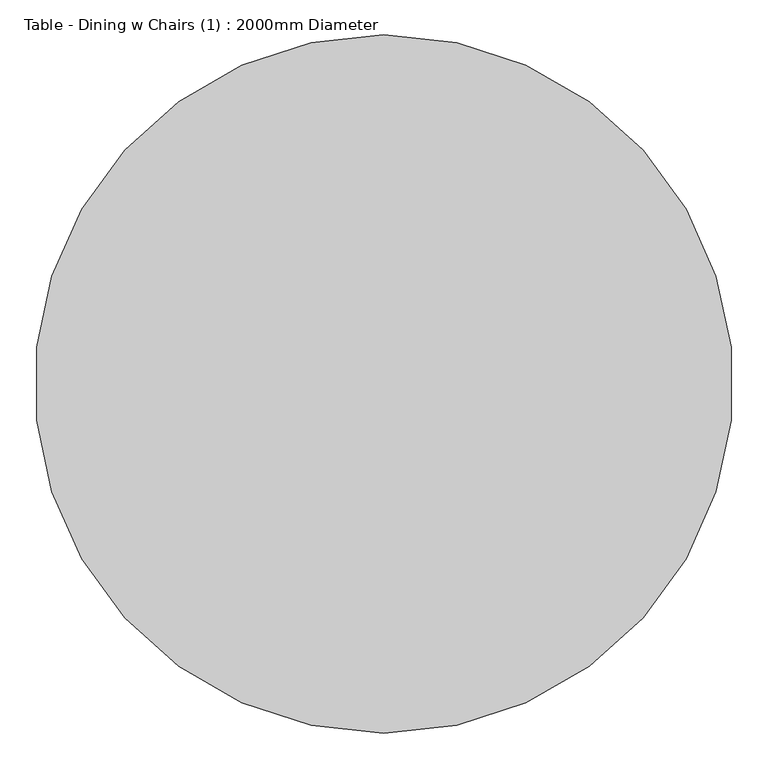
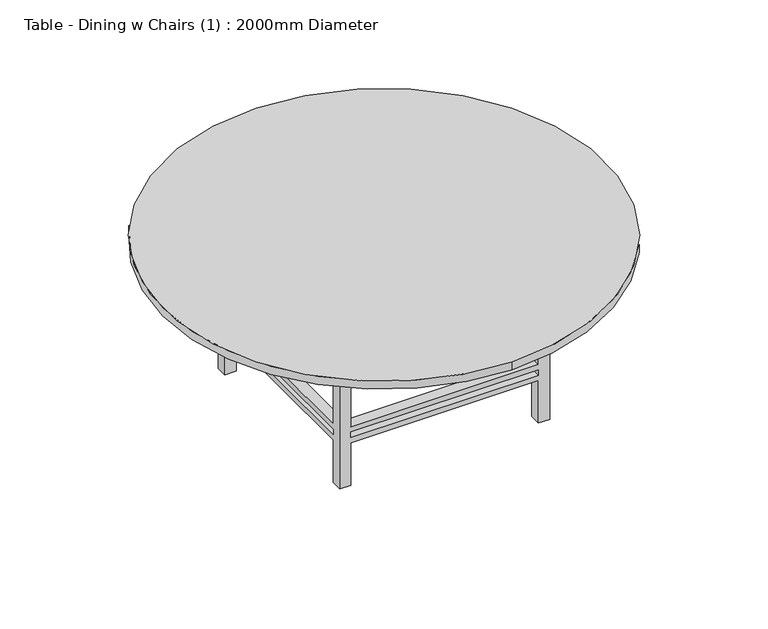
"""IFC4 building model written with IfcOpenShell, lengths in millimetres: furniture geometry, Table - Dining w Chairs (1) : 2000mm Diameter."""

import ifcopenshell
import ifcopenshell.guid

model = None  # the IFC model being written
_history = None  # IfcOwnerHistory: only IFC2X3 demands one
_inside = {}  # id of a spatial element -> (the spatial element, [elements in it])
_under = {}  # id of a project, library or spatial element -> (it, [spatial elements below it])
_declared = {}  # id of a project -> (the project, [libraries it declares])
_typed = {}  # id of a type object -> (the type object, [elements of that type])
_made_of = {}  # id of a material, layer set ... -> (it, [elements and type objects made of it])


def new_model(schema):
    """Start an empty IFC model of exactly this schema.

    Asked for "IFC4X3", IfcOpenShell would pick the latest addendum, in which some entities
    have other attributes; the version numbers below select the first issue.
    IFC2X3 requires an IfcOwnerHistory on every rooted entity: one is made here for all.
    """
    global model, _history
    if schema == "IFC4X3":
        model = ifcopenshell.file(schema_version=(4, 3, 0, 0))
    else:
        model = ifcopenshell.file(schema=schema)
    _inside.clear()
    _under.clear()
    _declared.clear()
    _typed.clear()
    _made_of.clear()
    _history = None
    if model.schema == "IFC2X3":
        org = make("IfcOrganization", Name="unknown")
        user = make(
            "IfcPersonAndOrganization",
            ThePerson=make("IfcPerson", FamilyName="unknown"),
            TheOrganization=org,
        )
        app = make(
            "IfcApplication",
            ApplicationDeveloper=org,
            Version="unknown",
            ApplicationFullName="unknown",
            ApplicationIdentifier="unknown",
        )
        _history = make(
            "IfcOwnerHistory",
            OwningUser=user,
            OwningApplication=app,
            ChangeAction="ADDED",
            CreationDate=0,
        )
    return model


def make(cls, **values):
    """One entity of the class cls with the attributes given. An attribute that is None is left unset."""
    return model.create_entity(
        cls, **{name: value for name, value in values.items() if value is not None}
    )


def rooted(cls, **values):
    """An entity with a GlobalId (a new one), such as an element, a storey or a relation."""
    return make(cls, GlobalId=ifcopenshell.guid.new(), OwnerHistory=_history, **values)


def si_unit(unit_type, name, prefix=None):
    """IfcSIUnit, for example si_unit("LENGTHUNIT", "METRE", prefix="MILLI")."""
    return make("IfcSIUnit", UnitType=unit_type, Prefix=prefix, Name=name)


def assignment(units):
    """IfcUnitAssignment: the units of a project."""
    return None if units is None else make("IfcUnitAssignment", Units=units)


def point(xyz):
    """IfcCartesianPoint."""
    return None if xyz is None else make("IfcCartesianPoint", Coordinates=xyz)


def direction(xyz):
    """IfcDirection."""
    return None if xyz is None else make("IfcDirection", DirectionRatios=xyz)


def frame(location, z_axis=None, x_axis=None):
    """IfcAxis2Placement3D, a coordinate frame: its origin and axes. An axis left out is left unset."""
    return make(
        "IfcAxis2Placement3D",
        Location=point(location),
        Axis=direction(z_axis),
        RefDirection=direction(x_axis),
    )


def frame_2d(location, x_axis=None):
    """IfcAxis2Placement2D, a coordinate frame in the plane: its origin and x axis."""
    return make(
        "IfcAxis2Placement2D", Location=point(location), RefDirection=direction(x_axis)
    )


def origin():
    """The frame at (0, 0, 0) with its axes left unset."""
    return frame((0.0, 0.0, 0.0))


def place(relative_to, where):
    """IfcLocalPlacement: puts the frame where relative to a parent placement (None: the world)."""
    return make(
        "IfcLocalPlacement", PlacementRelTo=relative_to, RelativePlacement=where
    )


def context(
    kind, dimensions, precision=None, world=None, true_north=None, identifier=None
):
    """IfcGeometricRepresentationContext, for example the 3D "Model" context."""
    return make(
        "IfcGeometricRepresentationContext",
        ContextIdentifier=identifier,
        ContextType=kind,
        CoordinateSpaceDimension=dimensions,
        Precision=precision,
        WorldCoordinateSystem=world,
        TrueNorth=true_north,
    )


def project(units=None, contexts=None):
    """IfcProject with its units and contexts."""
    return rooted(
        "IfcProject",
        Name="project",
        RepresentationContexts=contexts,
        UnitsInContext=assignment(units),
    )


def spatial(cls, under=None, at=None, **own):
    """A site, building, storey or space (cls), placed at a placement, below another one or the project."""
    s = rooted(cls, ObjectPlacement=at, **own)
    if under is not None:
        _under.setdefault(under.id(), (under, []))[1].append(s)
    return s


def polyline(points):
    """IfcPolyline through the points."""
    return make("IfcPolyline", Points=[point(p) for p in points])


def circle_curve(where, radius):
    """IfcCircle in the frame where."""
    return make("IfcCircle", Position=where, Radius=radius)


def trimmed(basis, trim1, trim2, sense, master):
    """IfcTrimmedCurve: the piece of a basis curve between two trims."""
    return make(
        "IfcTrimmedCurve",
        BasisCurve=basis,
        Trim1=trim1,
        Trim2=trim2,
        SenseAgreement=sense,
        MasterRepresentation=master,
    )


def segment(curve, same_sense, transition):
    """IfcCompositeCurveSegment."""
    return make(
        "IfcCompositeCurveSegment",
        Transition=transition,
        SameSense=same_sense,
        ParentCurve=curve,
    )


def composite_curve(segments, self_intersect=None):
    """IfcCompositeCurve: segments joined end to end."""
    return make("IfcCompositeCurve", Segments=segments, SelfIntersect=self_intersect)


def outline(outer, holes=None, kind="AREA"):
    """IfcArbitraryClosedProfileDef: a profile drawn as a closed curve; with holes, ...WithVoids."""
    if holes is None:
        return make("IfcArbitraryClosedProfileDef", ProfileType=kind, OuterCurve=outer)
    return make(
        "IfcArbitraryProfileDefWithVoids",
        ProfileType=kind,
        OuterCurve=outer,
        InnerCurves=holes,
    )


def extrude(swept, where, along, depth):
    """IfcExtrudedAreaSolid: the profile swept, set in the frame where, extruded along a direction by depth."""
    return make(
        "IfcExtrudedAreaSolid",
        SweptArea=swept,
        Position=where,
        ExtrudedDirection=direction(along),
        Depth=depth,
    )


def faces_of(points, faces, orient=None, outer=None):
    """IfcFace entities. A face is a list of loops; a loop is a list of indices into points, from 0.

    orient and outer hold one flag for each loop. By default every Orientation is true, the
    first loop of a face is its IfcFaceOuterBound and the others are IfcFaceBound.
    """
    made = []
    for i, loops in enumerate(faces):
        bounds = []
        for j, loop in enumerate(loops):
            is_outer = j == 0 if outer is None else outer[i][j]
            bounds.append(
                make(
                    "IfcFaceOuterBound" if is_outer else "IfcFaceBound",
                    Bound=make("IfcPolyLoop", Polygon=[points[k] for k in loop]),
                    Orientation=True if orient is None else orient[i][j],
                )
            )
        made.append(make("IfcFace", Bounds=bounds))
    return made


def faceted_brep(points, faces, orient=None, outer=None, voids=None):
    """IfcFacetedBrep: a solid bounded by flat faces; with voids (closed shells), ...WithVoids."""
    shared = [point(p) for p in points]
    hull = make("IfcClosedShell", CfsFaces=faces_of(shared, faces, orient, outer))
    if voids is None:
        return make("IfcFacetedBrep", Outer=hull)
    return make(
        "IfcFacetedBrepWithVoids",
        Outer=hull,
        Voids=[
            make(cls, CfsFaces=faces_of(shared, fs, o, b)) for cls, fs, o, b in voids
        ],
    )


def shape(context_of_items, identifier, shape_type, items):
    """IfcShapeRepresentation: the items that make up one representation, for example the "Body"."""
    return make(
        "IfcShapeRepresentation",
        ContextOfItems=context_of_items,
        RepresentationIdentifier=identifier,
        RepresentationType=shape_type,
        Items=items,
    )


def source(mapping_origin, context_of_items, identifier, shape_type, items):
    """IfcRepresentationMap: a shape defined once, which mapped items show again and again."""
    return make(
        "IfcRepresentationMap",
        MappingOrigin=mapping_origin,
        MappedRepresentation=shape(context_of_items, identifier, shape_type, items),
    )


def transform(
    local_origin,
    x_axis=None,
    y_axis=None,
    z_axis=None,
    scale=None,
    scale2=None,
    scale3=None,
    uniform=True,
):
    """IfcCartesianTransformationOperator3D, or its non-uniform kind. x_axis, y_axis, z_axis: its Axis1, 2, 3."""
    if uniform:
        return make(
            "IfcCartesianTransformationOperator3D",
            Axis1=direction(x_axis),
            Axis2=direction(y_axis),
            LocalOrigin=point(local_origin),
            Scale=scale,
            Axis3=direction(z_axis),
        )
    return make(
        "IfcCartesianTransformationOperator3DnonUniform",
        Axis1=direction(x_axis),
        Axis2=direction(y_axis),
        LocalOrigin=point(local_origin),
        Scale=scale,
        Axis3=direction(z_axis),
        Scale2=scale2,
        Scale3=scale3,
    )


def mapped(mapping_source, mapping_target):
    """IfcMappedItem: shows the shape of a source again, moved by a transform."""
    return make(
        "IfcMappedItem", MappingSource=mapping_source, MappingTarget=mapping_target
    )


def made_of(thing, what):
    """Note that an element or type object is made of a material, layer set ...; save() writes the relation."""
    if what is not None:
        _made_of.setdefault(what.id(), (what, []))[1].append(thing)
    return thing


def element(
    cls,
    number,
    at=None,
    inside=None,
    cuts=None,
    type_object=None,
    material=None,
    context=None,
    identifier="Body",
    shape_type=None,
    held_by="IfcProductDefinitionShape",
    body=None,
    shapes=None,
    **own,
):
    """One element of the class cls, such as IfcWall. Its Tag is "e" and its number.

    at: its placement. inside: the storey or other place that contains it. cuts: it is an
    opening in that element (IfcRelVoidsElement). A single representation is given by context,
    identifier, shape_type and body (its items); several are given by shapes. held_by: the class
    of the entity that holds the representations. save() writes the other relations.
    """
    e = rooted(cls, Tag="e%d" % number, ObjectPlacement=at, **own)
    if body is not None:
        shapes = [shape(context, identifier, shape_type, body)]
    if shapes is not None:
        e.Representation = make(held_by, Representations=shapes)
    if inside is not None:
        _inside.setdefault(inside.id(), (inside, []))[1].append(e)
    if cuts is not None:
        rooted(
            "IfcRelVoidsElement", RelatingBuildingElement=cuts, RelatedOpeningElement=e
        )
    if type_object is not None:
        _typed.setdefault(type_object.id(), (type_object, []))[1].append(e)
    return made_of(e, material)


def aggregate(whole, parts):
    """IfcRelAggregates: a whole, such as a stair, and the parts it consists of."""
    return rooted("IfcRelAggregates", RelatingObject=whole, RelatedObjects=parts)


def save(model, path):
    """Write the relations noted so far, then the file.

    IfcRelAggregates (storeys below a building ...), IfcRelContainedInSpatialStructure (elements
    in a storey), IfcRelDefinesByType, IfcRelAssociatesMaterial and IfcRelDeclares: one each for
    every whole, place, type object, material and project.
    """
    for whole, parts in _under.values():
        aggregate(whole, parts)
    for where, things in _inside.values():
        rooted(
            "IfcRelContainedInSpatialStructure",
            RelatedElements=things,
            RelatingStructure=where,
        )
    for kind, things in _typed.values():
        rooted("IfcRelDefinesByType", RelatedObjects=things, RelatingType=kind)
    for what, things in _made_of.values():
        rooted("IfcRelAssociatesMaterial", RelatedObjects=things, RelatingMaterial=what)
    for by, libraries in _declared.values():
        rooted("IfcRelDeclares", RelatingContext=by, RelatedDefinitions=libraries)
    model.write(path)


def table_dining_w_chairs_1_2000mm_diameter_cd800a5b(model_context):
    return source(origin(), model_context, "Body", "SolidModel", [
        faceted_brep([(-320.1180328, 289.7213115, 645.7), (-370.9180328, 289.7213115, 645.7), (-370.9180328, 238.9213115, 645.7), (-320.1180328, 238.9213115, 645.7), (527.4819672, 289.7213115, 645.7), (527.4819672, 238.9213115, 645.7), (578.2819672, 238.9213115, 645.7), (578.2819672, 289.7213115, 645.7), (527.4819672, -659.4786885, 645.7), (578.2819672, -659.4786885, 645.7), (578.2819672, -608.6786885, 645.7), (527.4819672, -608.6786885, 645.7), (-320.1180328, -659.4786885, 645.7), (-320.1180328, -608.6786885, 645.7), (-370.9180328, -608.6786885, 645.7), (-370.9180328, -659.4786885, 645.7), (-320.1180328, 289.7213115, 0.0), (-320.1180328, 238.9213115, 0.0), (-370.9180328, 238.9213115, 0.0), (-370.9180328, 289.7213115, 0.0), (527.4819672, 289.7213115, 0.0), (578.2819672, 289.7213115, 0.0), (578.2819672, 238.9213115, 0.0), (527.4819672, 238.9213115, 0.0), (527.4819672, -659.4786885, 0.0), (527.4819672, -608.6786885, 0.0), (578.2819672, -608.6786885, 0.0), (578.2819672, -659.4786885, 0.0), (-320.1180328, -659.4786885, 0.0), (-370.9180328, -659.4786885, 0.0), (-370.9180328, -608.6786885, 0.0), (-320.1180328, -608.6786885, 0.0), (-320.1180328, 289.7213115, 279.4), (527.4819672, 289.7213115, 279.4), (527.4819672, 289.7213115, 203.2), (-320.1180328, 289.7213115, 203.2), (527.4819672, 289.7213115, 228.6), (527.4819672, 289.7213115, 254.0), (-320.1180328, 289.7213115, 254.0), (-320.1180328, 289.7213115, 228.6), (-370.9180328, 238.9213115, 203.2), (-370.9180328, -608.6786885, 203.2), (-370.9180328, -608.6786885, 279.4), (-370.9180328, 238.9213115, 279.4), (-370.9180328, 238.9213115, 228.6), (-370.9180328, 238.9213115, 254.0), (-370.9180328, -608.6786885, 254.0), (-370.9180328, -608.6786885, 228.6), (-320.1180328, 238.9213115, 279.4), (-320.1180328, 238.9213115, 203.2), (-320.1180328, 238.9213115, 228.6), (-320.1180328, 238.9213115, 254.0), (527.4819672, 238.9213115, 279.4), (527.4819672, 238.9213115, 203.2), (527.4819672, 238.9213115, 228.6), (527.4819672, 238.9213115, 254.0), (578.2819672, 238.9213115, 279.4), (578.2819672, 238.9213115, 203.2), (578.2819672, 238.9213115, 228.6), (578.2819672, 238.9213115, 254.0), (578.2819672, -608.6786885, 279.4), (578.2819672, -608.6786885, 203.2), (578.2819672, -608.6786885, 228.6), (578.2819672, -608.6786885, 254.0), (527.4819672, -659.4786885, 279.4), (-320.1180328, -659.4786885, 279.4), (-320.1180328, -659.4786885, 203.2), (527.4819672, -659.4786885, 203.2), (-320.1180328, -659.4786885, 228.6), (-320.1180328, -659.4786885, 254.0), (527.4819672, -659.4786885, 254.0), (527.4819672, -659.4786885, 228.6), (527.4819672, -608.6786885, 279.4), (527.4819672, -608.6786885, 203.2), (527.4819672, -608.6786885, 228.6), (527.4819672, -608.6786885, 254.0), (-320.1180328, -608.6786885, 279.4), (-320.1180328, -608.6786885, 203.2), (-320.1180328, -608.6786885, 228.6), (-320.1180328, -608.6786885, 254.0)], [[[0, 1, 2, 3]], [[4, 5, 6, 7]], [[8, 9, 10, 11]], [[12, 13, 14, 15]], [[16, 17, 18, 19]], [[20, 21, 22, 23]], [[24, 25, 26, 27]], [[28, 29, 30, 31]], [[1, 0, 32, 33, 4, 7, 21, 20, 34, 35, 16, 19], [36, 37, 38, 39]], [[2, 1, 19, 18, 40, 41, 30, 29, 15, 14, 42, 43], [44, 45, 46, 47]], [[3, 2, 43, 48]], [[18, 17, 49, 40]], [[44, 50, 51, 45]], [[0, 3, 48, 32]], [[17, 16, 35, 49]], [[50, 39, 38, 51]], [[5, 4, 33, 52]], [[20, 23, 53, 34]], [[36, 54, 55, 37]], [[6, 5, 52, 56]], [[23, 22, 57, 53]], [[54, 58, 59, 55]], [[21, 7, 6, 56, 60, 10, 9, 27, 26, 61, 57, 22], [62, 63, 59, 58]], [[27, 9, 8, 64, 65, 12, 15, 29, 28, 66, 67, 24], [68, 69, 70, 71]], [[11, 10, 60, 72]], [[26, 25, 73, 61]], [[62, 74, 75, 63]], [[8, 11, 72, 64]], [[25, 24, 67, 73]], [[74, 71, 70, 75]], [[13, 12, 65, 76]], [[28, 31, 77, 66]], [[68, 78, 79, 69]], [[14, 13, 76, 42]], [[31, 30, 41, 77]], [[78, 47, 46, 79]], [[54, 74, 62, 58]], [[74, 78, 68, 71]], [[78, 50, 44, 47]], [[50, 54, 36, 39]], [[53, 49, 35, 34]], [[49, 77, 41, 40]], [[77, 73, 67, 66]], [[73, 53, 57, 61]], [[74, 54, 53, 73]], [[78, 74, 73, 77]], [[50, 78, 77, 49]], [[54, 50, 49, 53]], [[52, 72, 60, 56]], [[72, 76, 65, 64]], [[76, 48, 43, 42]], [[48, 52, 33, 32]], [[55, 51, 38, 37]], [[51, 79, 46, 45]], [[79, 75, 70, 69]], [[75, 55, 59, 63]], [[72, 52, 55, 75]], [[76, 72, 75, 79]], [[48, 76, 79, 51]], [[52, 48, 51, 55]]]),
        extrude(outline(polyline([(603.6819672, 315.1213115), (603.6819672, -684.8786885), (-396.3180328, -684.8786885), (-396.3180328, 315.1213115), (603.6819672, 315.1213115)]), holes=[polyline([(578.2819672, 289.7213115), (-370.9180328, 289.7213115), (-370.9180328, -659.4786885), (578.2819672, -659.4786885), (578.2819672, 289.7213115)])]), frame((0.0, 0.0, 645.7), z_axis=(0.0, 0.0, 1.0), x_axis=(1.0, 0.0, 0.0)), (0.0, 0.0, 1.0), 76.2),
        extrude(outline(composite_curve([segment(trimmed(circle_curve(frame_2d((103.6819672, -184.8786885)), 1000.0), [point((103.6819672, -1184.8786885))], [point((103.6819672, 815.1213115))], False, "CARTESIAN"), True, "CONTINUOUS"), segment(trimmed(circle_curve(frame_2d((103.6819672, -184.8786885)), 1000.0), [point((103.6819672, 815.1213115))], [point((103.6819672, -1184.8786885))], False, "CARTESIAN"), True, "CONTINUOUS")], self_intersect=False)), frame((0.0, 0.0, 721.9), z_axis=(0.0, 0.0, 1.0), x_axis=(1.0, 0.0, 0.0)), (0.0, 0.0, 1.0), 38.1),
    ])


if __name__ == "__main__":
    model = new_model("IFC4")
    model_context = context("Model", 3, world=origin())
    ifc_project = project(units=[si_unit("LENGTHUNIT", "METRE", prefix="MILLI")], contexts=[model_context])
    site = spatial("IfcSite", under=ifc_project)
    building = spatial("IfcBuilding", under=site)
    placement = place(None, origin())
    table_dining_w_chairs_1_2000mm_diameter_shape = table_dining_w_chairs_1_2000mm_diameter_cd800a5b(model_context)
    element("IfcFurniture", 1, ObjectType="Table - Dining w Chairs (1) : 2000mm Diameter", at=placement, inside=building, context=model_context, shape_type="MappedRepresentation", body=[
        mapped(table_dining_w_chairs_1_2000mm_diameter_shape, transform((0.0, 0.0, 0.0), x_axis=(1.0, 0.0, 0.0), y_axis=(0.0, 1.0, 0.0), z_axis=(0.0, 0.0, 1.0))),
    ])
    save(model, "model.ifc")
